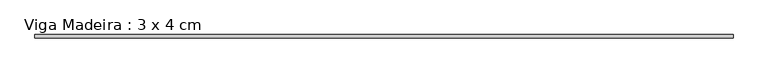
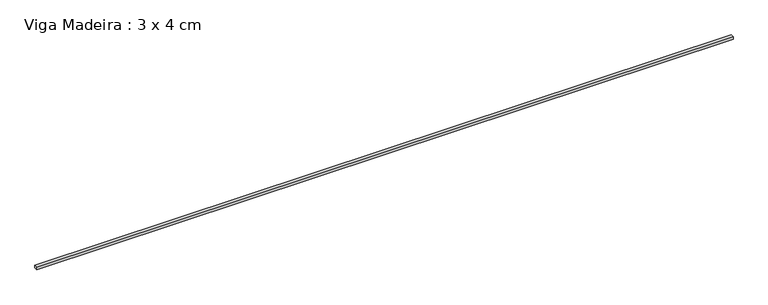
"""IFC4 building model written with IfcOpenShell, lengths in millimetres: beam geometry, Viga Madeira : 3 x 4 cm."""

from ifc_helpers import new_model, si_unit, frame, origin, place, context, project, spatial, polyline, outline, extrude, source, transform, mapped, element, save


def viga_madeira_3_x_4_cm_50e938b2(model_context):
    return source(origin(), model_context, "Body", "SweptSolid", [
        extrude(outline(polyline([(3982.2186467, 20.0), (3982.2186467, -20.0), (-3982.2186467, -20.0), (-3982.2186467, 20.0), (3982.2186467, 20.0)])), frame((0.0, 0.0, -15.0), z_axis=(0.0, 0.0, 1.0), x_axis=(1.0, 0.0, 0.0)), (0.0, 0.0, 1.0), 30.0),
    ])


if __name__ == "__main__":
    model = new_model("IFC4")
    model_context = context("Model", 3, world=origin())
    ifc_project = project(units=[si_unit("LENGTHUNIT", "METRE", prefix="MILLI")], contexts=[model_context])
    site = spatial("IfcSite", under=ifc_project)
    building = spatial("IfcBuilding", under=site)
    placement = place(None, origin())
    viga_madeira_3_x_4_cm_shape = viga_madeira_3_x_4_cm_50e938b2(model_context)
    element("IfcBeam", 1, ObjectType="Viga Madeira : 3 x 4 cm", at=placement, inside=building, context=model_context, shape_type="MappedRepresentation", body=[
        mapped(viga_madeira_3_x_4_cm_shape, transform((0.0, 0.0, 0.0), x_axis=(1.0, 0.0, 0.0), y_axis=(0.0, 1.0, 0.0), z_axis=(0.0, 0.0, 1.0))),
    ])
    save(model, "model.ifc")
